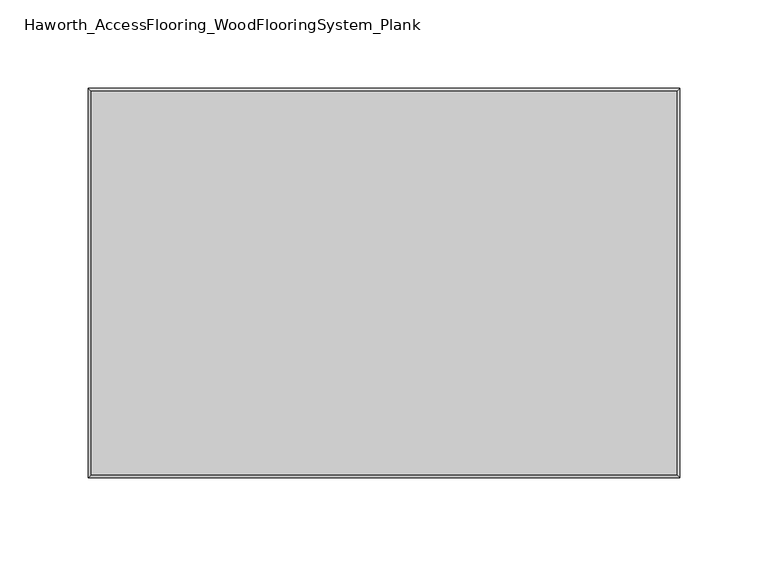
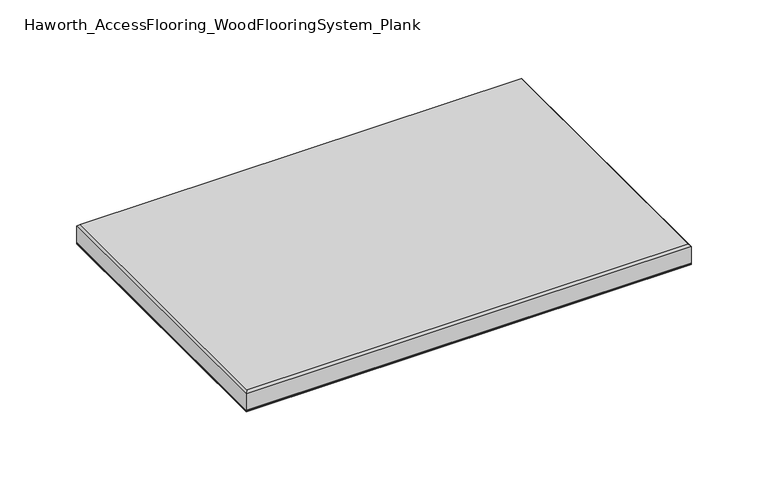
"""IFC4 building model written with IfcOpenShell, lengths in millimetres: proxy geometry, Haworth_AccessFlooring_WoodFlooringSystem_Plank."""

from ifc_helpers import new_model, si_unit, frame, origin, place, context, project, spatial, polyline, outline, extrude, faceted_brep, source, transform, mapped, element, save


def haworth_accessflooring_woodflooringsystem_plank_b8baf3e0(model_context):
    return source(origin(), model_context, "Body", "SolidModel", [
        extrude(outline(polyline([(167.0863448, 109.9839844), (167.0863448, -109.9839844), (-167.0863448, -109.9839844), (-167.0863448, 109.9839844), (167.0863448, 109.9839844)])), frame((0.0, 0.0, -15.875), z_axis=(0.0, 0.0, 1.0), x_axis=(1.0, 0.0, 0.0)), (0.0, 0.0, 1.0), 0.9921875),
        faceted_brep([(167.0863448, 109.9839844, -14.8828125), (167.0863448, -109.9839844, -14.8828125), (-167.0863448, -109.9839844, -14.8828125), (-167.0863448, 109.9839844, -14.8828125), (-167.0863448, 109.9839844, -1.5875), (167.0863448, 109.9839844, -1.5875), (-167.0863448, -109.9839844, -1.5875), (167.0863448, -109.9839844, -1.5875), (165.4988448, 108.3964844, 0.0), (-165.4988448, 108.3964844, 0.0), (-165.4988448, -108.3964844, 0.0), (165.4988448, -108.3964844, 0.0)], [[[0, 1, 2, 3]], [[0, 3, 4, 5]], [[3, 2, 6, 4]], [[2, 1, 7, 6]], [[1, 0, 5, 7]], [[8, 9, 10, 11]], [[9, 8, 5, 4]], [[10, 9, 4, 6]], [[11, 10, 6, 7]], [[8, 11, 7, 5]]]),
    ])


if __name__ == "__main__":
    model = new_model("IFC4")
    model_context = context("Model", 3, world=origin())
    ifc_project = project(units=[si_unit("LENGTHUNIT", "METRE", prefix="MILLI")], contexts=[model_context])
    site = spatial("IfcSite", under=ifc_project)
    building = spatial("IfcBuilding", under=site)
    placement = place(None, origin())
    haworth_accessflooring_woodflooringsystem_plank_shape = haworth_accessflooring_woodflooringsystem_plank_b8baf3e0(model_context)
    element("IfcBuildingElementProxy", 1, Name="Haworth_AccessFlooring_WoodFlooringSystem_Plank", ObjectType="Haworth_AccessFlooring_WoodFlooringSystem_Plank", at=placement, inside=building, context=model_context, shape_type="MappedRepresentation", body=[
        mapped(haworth_accessflooring_woodflooringsystem_plank_shape, transform((0.0, 0.0, 0.0), x_axis=(1.0, 0.0, 0.0), y_axis=(0.0, 1.0, 0.0), z_axis=(0.0, 0.0, 1.0))),
    ])
    save(model, "model.ifc")
